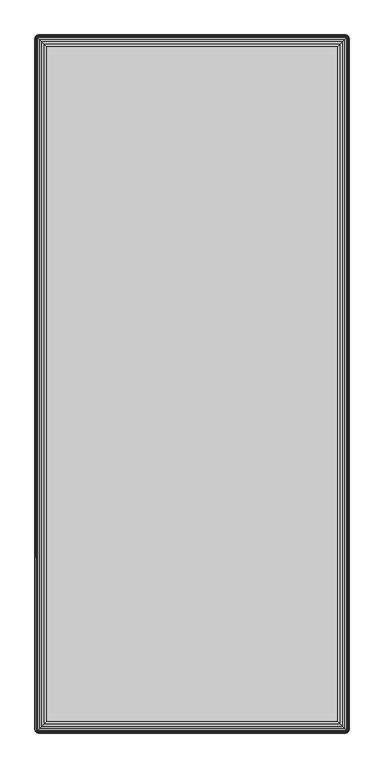
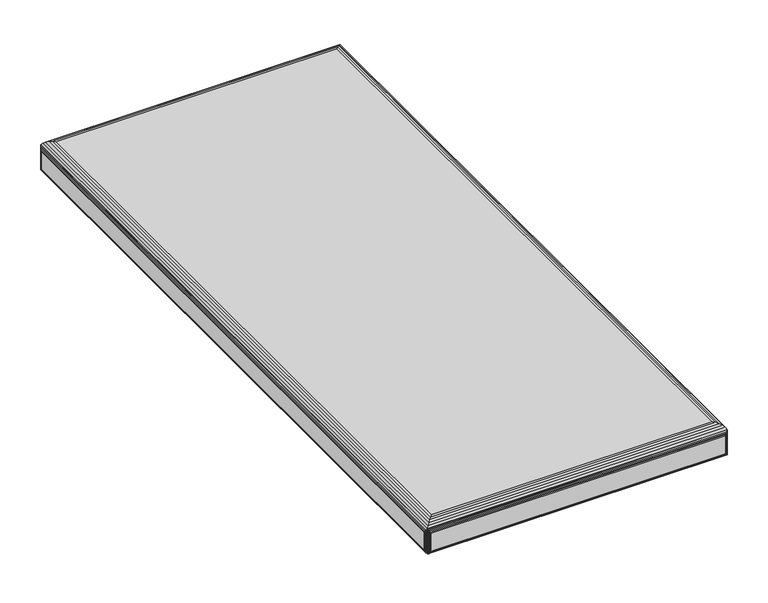
"""IFC4 building model written with IfcOpenShell, lengths in millimetres: furniture geometry."""

from ifc_helpers import new_model, si_unit, origin, place, context, project, spatial, triangles, source, transform, mapped, element, save


def furniture_b6b26077(model_context):
    return source(origin(), model_context, "Body", "Tessellation", [
        triangles([(4019.8400343, 2803.2111569, 400.0000031), (4019.8400343, 3763.2111533, 400.0000031), (4429.840299, 3763.2111533, 400.0000031), (4429.840299, 2803.2111569, 400.0000031), (4019.8400343, 2803.2111569, 411.9999973), (4429.840299, 2803.2111569, 411.9999973), (4019.8400343, 3763.2111533, 411.9999973), (4429.840299, 3763.2111533, 411.9999973), (4002.3131971, 3782.0651442, 414.4729932), (4001.5972524, 3781.4541532, 413.7570122), (4001.8931646, 3781.7301538, 452.722984), (4002.8061903, 3782.3871449, 451.0670168), (4003.1160551, 3782.5571563, 415.2759965), (4001.7431738, 3781.5951511, 453.0079957), (4001.5972524, 3781.4541532, 453.2899916), (4003.7930486, 3782.8511609, 449.3739879), (4003.9860601, 3782.9171453, 416.1460015), (4004.9011205, 3783.1371536, 417.0609893), (4004.817114, 3783.1231465, 447.675), (4005.8400167, 3783.2111499, 445.9999932), (4005.8400167, 3783.2111499, 417.9999945), (4001.3211065, 3781.1581502, 452.722984), (4001.4562727, 3781.3081592, 453.0079957), (4000.9862432, 3780.738154, 414.4729932), (4000.4941221, 3779.9351507, 415.2759965), (4000.6641699, 3780.2451608, 451.0670168), (4000.1342603, 3779.0651457, 416.1460015), (4000.2002447, 3779.2581571, 449.3739879), (3999.9281683, 3778.2341462, 447.675), (3999.9142156, 3778.1501579, 417.0609893), (3999.8400923, 3777.2111527, 417.9999945), (3999.8400923, 3777.2111527, 445.9999932), (4447.3671362, 3782.0651442, 414.4729932), (4448.0830808, 3781.4541532, 413.7570122), (4446.5642782, 3782.5571563, 415.2759965), (4445.6942732, 3782.9171453, 416.1460015), (4444.7792127, 3783.1371536, 417.0609893), (4443.8400259, 3783.2111499, 417.9999945), (4002.3131971, 3780.738154, 413.146003), (4447.3671362, 3780.738154, 413.146003), (4446.5642782, 3779.9351507, 412.6539908), (4003.1160551, 3779.9351507, 412.6539908), (4445.6942732, 3779.0651457, 412.2939837), (4003.9860601, 3779.0651457, 412.2939837), (4004.9011205, 3778.1501579, 412.0740117), (4444.7792127, 3778.1501579, 412.0740117), (4443.8400259, 3777.2111527, 411.9999973), (4005.8400167, 3777.2111527, 411.9999973), (4443.8400259, 3783.2111499, 445.9999932), (4445.8872846, 3782.8511609, 449.3739879), (4444.8632192, 3783.1231465, 447.675), (4446.874143, 3782.3871449, 451.0670168), (4447.7871687, 3781.7301538, 452.722984), (4447.9371595, 3781.5951511, 453.0079957), (4448.0830808, 3781.4541532, 453.2899916), (4003.5270765, 3779.5241474, 456.2169931), (4446.1532568, 3779.5241474, 456.2169931), (4443.6321897, 3777.0041523, 458.653), (4006.0481436, 3777.0041523, 458.653), (4009.0380773, 3774.0131466, 460.4819944), (4440.642256, 3774.0131466, 460.4819944), (4012.355026, 3770.6961434, 461.6160095), (4437.3250166, 3770.6961434, 461.6160095), (4015.8402784, 3767.2111454, 461.9999977), (4433.8400549, 3767.2111454, 461.9999977), (4448.6940901, 3780.738154, 414.4729932), (4448.3592268, 3781.1581502, 452.722984), (4449.0161634, 3780.2451608, 451.0670168), (4449.1862112, 3779.9351507, 415.2759965), (4448.2240606, 3781.3081592, 453.0079957), (4449.4800886, 3779.2581571, 449.3739879), (4449.5460729, 3779.0651457, 416.1460015), (4449.7661176, 3778.1501579, 417.0609893), (4449.752165, 3778.2341462, 447.675), (4449.840241, 3777.2111527, 445.9999932), (4449.840241, 3777.2111527, 417.9999945), (4000.9862432, 2785.6841744, 414.4729932), (4001.5972524, 2784.9681571, 413.7570122), (4001.3211065, 2785.2641419, 452.722984), (4000.6641699, 2786.1771676, 451.0670168), (4000.4941221, 2786.4871777, 415.2759965), (4001.4562727, 2785.1141511, 453.0079957), (4001.5972524, 2784.9681571, 453.2899916), (4000.2002447, 2787.1641713, 449.3739879), (4000.1342603, 2787.3571828, 416.1460015), (3999.9142156, 2788.2721705, 417.0609893), (3999.9281683, 2788.188164, 447.675), (3999.8400923, 2789.2111394, 445.9999932), (3999.8400923, 2789.2111394, 417.9999945), (4001.8931646, 2784.6921565, 452.722984), (4001.7431738, 2784.8271773, 453.0079957), (4002.3131971, 2784.3571479, 414.4729932), (4003.1160551, 2783.8651721, 415.2759965), (4002.8061903, 2784.0351472, 451.0670168), (4003.9860601, 2783.505165, 416.1460015), (4003.7930486, 2783.5711493, 449.3739879), (4004.817114, 2783.2991456, 447.675), (4004.9011205, 2783.2851203, 417.0609893), (4005.8400167, 2783.2111422, 417.9999945), (4005.8400167, 2783.2111422, 445.9999932), (4003.5270765, 2786.8981265, 456.2169931), (4006.0481436, 2789.4181761, 458.653), (4009.0380773, 2792.4091273, 460.4819944), (4012.355026, 2795.7261487, 461.6160095), (4015.8402784, 2799.211183, 461.9999977), (4447.7871687, 2784.6921565, 452.722984), (4447.9371595, 2784.8271773, 453.0079957), (4448.0830808, 2784.9681571, 453.2899916), (4446.874143, 2784.0351472, 451.0670168), (4445.8872846, 2783.5711493, 449.3739879), (4444.8632192, 2783.2991456, 447.675), (4443.8400259, 2783.2111422, 445.9999932), (4446.1532568, 2786.8981265, 456.2169931), (4443.6321897, 2789.4181761, 458.653), (4440.642256, 2792.4091273, 460.4819944), (4437.3250166, 2795.7261487, 461.6160095), (4433.8400549, 2799.211183, 461.9999977), (4443.8400259, 2783.2111422, 417.9999945), (4447.3671362, 2784.3571479, 414.4729932), (4448.0830808, 2784.9681571, 413.7570122), (4446.5642782, 2783.8651721, 415.2759965), (4445.6942732, 2783.505165, 416.1460015), (4444.7792127, 2783.2851203, 417.0609893), (4448.3592268, 2785.2641419, 452.722984), (4448.2240606, 2785.1141511, 453.0079957), (4448.6940901, 2785.6841744, 414.4729932), (4449.1862112, 2786.4871777, 415.2759965), (4449.0161634, 2786.1771676, 451.0670168), (4449.5460729, 2787.3571828, 416.1460015), (4449.4800886, 2787.1641713, 449.3739879), (4449.752165, 2788.188164, 447.675), (4449.7661176, 2788.2721705, 417.0609893), (4449.840241, 2789.2111394, 417.9999945), (4449.840241, 2789.2111394, 445.9999932), (4447.3671362, 2785.6841744, 413.146003), (4002.3131971, 2785.6841744, 413.146003), (4003.1160551, 2786.4871777, 412.6539908), (4446.5642782, 2786.4871777, 412.6539908), (4003.9860601, 2787.3571828, 412.2939837), (4445.6942732, 2787.3571828, 412.2939837), (4444.7792127, 2788.2721705, 412.0740117), (4004.9011205, 2788.2721705, 412.0740117), (4005.8400167, 2789.2111394, 411.9999973), (4443.8400259, 2789.2111394, 411.9999973)], [[1, 2, 3], [1, 3, 4], [5, 1, 4], [6, 5, 4], [7, 2, 1], [5, 7, 1], [8, 3, 2], [7, 8, 2], [6, 4, 3], [8, 6, 3], [7, 5, 6], [8, 7, 6], [11, 9, 10], [11, 12, 13], [11, 13, 9], [10, 14, 11], [10, 15, 14], [13, 12, 16], [13, 16, 17], [19, 18, 17], [19, 20, 21], [19, 21, 18], [17, 16, 19], [22, 23, 15], [24, 22, 15], [24, 25, 26], [24, 26, 22], [15, 10, 24], [26, 25, 27], [26, 27, 28], [30, 29, 28], [30, 31, 32], [30, 32, 29], [28, 27, 30], [9, 33, 34], [9, 13, 35], [9, 35, 33], [34, 10, 9], [35, 13, 17], [35, 17, 36], [18, 37, 36], [18, 21, 38], [18, 38, 37], [36, 17, 18], [40, 39, 10], [40, 41, 42], [40, 42, 39], [10, 34, 40], [42, 41, 43], [42, 43, 44], [46, 45, 44], [46, 47, 48], [46, 48, 45], [44, 43, 46], [38, 21, 20], [49, 38, 20], [50, 19, 16], [51, 49, 20], [51, 20, 19], [19, 50, 51], [11, 14, 15], [15, 12, 11], [52, 12, 15], [52, 50, 16], [52, 16, 12], [15, 53, 52], [15, 54, 53], [15, 55, 54], [55, 15, 56], [55, 56, 57], [59, 58, 57], [59, 60, 61], [59, 61, 58], [57, 56, 59], [61, 60, 62], [61, 62, 63], [63, 62, 64], [63, 64, 65], [67, 66, 34], [67, 68, 69], [67, 69, 66], [34, 70, 67], [34, 55, 70], [69, 68, 71], [69, 71, 72], [74, 73, 72], [74, 75, 76], [74, 76, 73], [72, 71, 74], [53, 54, 55], [33, 53, 55], [33, 35, 52], [33, 52, 53], [55, 34, 33], [52, 35, 36], [52, 36, 50], [37, 51, 50], [37, 38, 49], [37, 49, 51], [50, 36, 37], [79, 77, 78], [79, 80, 81], [79, 81, 77], [78, 82, 79], [78, 83, 82], [81, 80, 84], [81, 84, 85], [87, 86, 85], [87, 88, 89], [87, 89, 86], [85, 84, 87], [90, 91, 83], [92, 90, 83], [92, 93, 94], [92, 94, 90], [83, 78, 92], [94, 93, 95], [94, 95, 96], [98, 97, 96], [98, 99, 100], [98, 100, 97], [96, 95, 98], [79, 82, 83], [83, 80, 79], [26, 80, 83], [26, 28, 84], [26, 84, 80], [83, 22, 26], [83, 23, 22], [83, 15, 23], [29, 87, 84], [29, 32, 88], [29, 88, 87], [84, 28, 29], [15, 83, 101], [15, 101, 56], [102, 59, 56], [102, 103, 60], [102, 60, 59], [56, 101, 102], [60, 103, 104], [60, 104, 62], [62, 104, 105], [62, 105, 64], [106, 107, 108], [108, 109, 106], [94, 109, 108], [94, 96, 110], [94, 110, 109], [108, 90, 94], [108, 91, 90], [108, 83, 91], [97, 111, 110], [97, 100, 112], [97, 112, 111], [110, 96, 97], [83, 108, 113], [83, 113, 101], [114, 102, 101], [114, 115, 103], [114, 103, 102], [101, 113, 114], [103, 115, 116], [103, 116, 104], [104, 116, 117], [104, 117, 105], [112, 100, 99], [118, 112, 99], [106, 119, 120], [106, 109, 121], [106, 121, 119], [120, 107, 106], [120, 108, 107], [121, 109, 110], [121, 110, 122], [111, 123, 122], [111, 112, 118], [111, 118, 123], [122, 110, 111], [124, 125, 108], [126, 124, 108], [126, 127, 128], [126, 128, 124], [108, 120, 126], [128, 127, 129], [128, 129, 130], [132, 131, 130], [132, 133, 134], [132, 134, 131], [130, 129, 132], [130, 74, 71], [131, 134, 75], [131, 75, 74], [74, 130, 131], [67, 70, 55], [55, 68, 67], [128, 68, 55], [128, 130, 71], [128, 71, 68], [55, 124, 128], [55, 125, 124], [55, 108, 125], [108, 55, 57], [108, 57, 113], [58, 114, 113], [58, 61, 115], [58, 115, 114], [113, 57, 58], [115, 61, 63], [115, 63, 116], [116, 63, 65], [116, 65, 117], [122, 98, 95], [123, 118, 99], [123, 99, 98], [98, 122, 123], [122, 95, 93], [121, 122, 93], [120, 92, 78], [119, 121, 93], [119, 93, 92], [92, 120, 119], [136, 135, 120], [136, 137, 138], [136, 138, 135], [120, 78, 136], [138, 137, 139], [138, 139, 140], [142, 141, 140], [142, 143, 144], [142, 144, 141], [140, 139, 142], [85, 30, 27], [86, 89, 31], [86, 31, 30], [30, 85, 86], [85, 27, 25], [81, 85, 25], [78, 24, 10], [77, 81, 25], [77, 25, 24], [24, 78, 77], [39, 136, 78], [39, 42, 137], [39, 137, 136], [78, 10, 39], [137, 42, 44], [137, 44, 139], [45, 142, 139], [45, 48, 143], [45, 143, 142], [139, 44, 45], [66, 126, 120], [66, 69, 127], [66, 127, 126], [120, 34, 66], [127, 69, 72], [127, 72, 129], [73, 132, 129], [73, 76, 133], [73, 133, 132], [129, 72, 73], [135, 40, 34], [135, 138, 41], [135, 41, 40], [34, 120, 135], [41, 138, 140], [41, 140, 43], [141, 46, 43], [141, 144, 47], [141, 47, 46], [43, 140, 141], [88, 32, 31], [89, 88, 31], [143, 48, 47], [143, 47, 144], [117, 65, 64], [105, 117, 64], [133, 76, 75], [134, 133, 75]]),
    ])


if __name__ == "__main__":
    model = new_model("IFC4")
    model_context = context("Model", 3, world=origin())
    ifc_project = project(units=[si_unit("LENGTHUNIT", "METRE", prefix="MILLI")], contexts=[model_context])
    site = spatial("IfcSite", under=ifc_project)
    building = spatial("IfcBuilding", under=site)
    placement = place(None, origin())
    furniture_shape = furniture_b6b26077(model_context)
    element("IfcFurniture", 1, at=placement, inside=building, context=model_context, shape_type="MappedRepresentation", body=[
        mapped(furniture_shape, transform((0.0, 0.0, 0.0), x_axis=(1.0, 0.0, 0.0), y_axis=(0.0, 1.0, 0.0), z_axis=(0.0, 0.0, 1.0))),
    ])
    save(model, "model.ifc")
